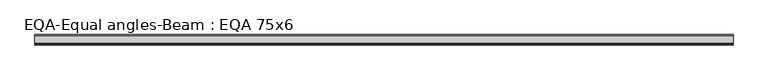
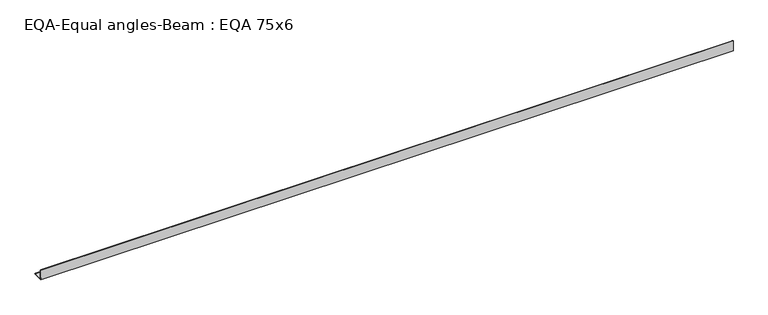
"""IFC4 building model written with IfcOpenShell, lengths in millimetres: beam geometry, EQA-Equal angles-Beam : EQA 75x6."""

from ifc_helpers import new_model, si_unit, point, frame, frame_2d, origin, place, context, project, spatial, polyline, circle_curve, trimmed, segment, composite_curve, outline, extrude, source, transform, mapped, element, save


def eqa_equal_angles_beam_eqa_75x6_95ba246d(model_context):
    return source(origin(), model_context, "Body", "SweptSolid", [
        extrude(outline(composite_curve([segment(polyline([(-20.5, -20.5), (-20.5, 54.5), (-19.0, 54.5)]), True, "CONTINUOUS"), segment(trimmed(circle_curve(frame_2d((-19.0, 50.0)), 4.5), [point((-19.0, 54.5))], [point((-14.5, 50.0))], False, "CARTESIAN"), True, "CONTINUOUS"), segment(polyline([(-14.5, 50.0), (-14.5, -5.5)]), True, "CONTINUOUS"), segment(trimmed(circle_curve(frame_2d((-5.5, -5.5)), 9.0), [point((-14.5, -5.5))], [point((-5.5, -14.5))], True, "CARTESIAN"), True, "CONTINUOUS"), segment(polyline([(-5.5, -14.5), (50.0, -14.5)]), True, "CONTINUOUS"), segment(trimmed(circle_curve(frame_2d((50.0, -19.0)), 4.5), [point((50.0, -14.5))], [point((54.5, -19.0))], False, "CARTESIAN"), True, "CONTINUOUS"), segment(polyline([(54.5, -19.0), (54.5, -20.5), (-20.5, -20.5)]), True, "CONTINUOUS")], self_intersect=False)), frame((-2472.2082717, 0.0, 0.0), z_axis=(1.0, 0.0, 0.0), x_axis=(0.0, 1.0, 0.0)), (0.0, 0.0, 1.0), 4968.7833434),
    ])


if __name__ == "__main__":
    model = new_model("IFC4")
    model_context = context("Model", 3, world=origin())
    ifc_project = project(units=[si_unit("LENGTHUNIT", "METRE", prefix="MILLI")], contexts=[model_context])
    site = spatial("IfcSite", under=ifc_project)
    building = spatial("IfcBuilding", under=site)
    placement = place(None, origin())
    eqa_equal_angles_beam_eqa_75x6_shape = eqa_equal_angles_beam_eqa_75x6_95ba246d(model_context)
    element("IfcBeam", 1, ObjectType="EQA-Equal angles-Beam : EQA 75x6", at=placement, inside=building, context=model_context, shape_type="MappedRepresentation", body=[
        mapped(eqa_equal_angles_beam_eqa_75x6_shape, transform((0.0, 0.0, 0.0), x_axis=(1.0, 0.0, 0.0), y_axis=(0.0, 1.0, 0.0), z_axis=(0.0, 0.0, 1.0))),
    ])
    save(model, "model.ifc")
